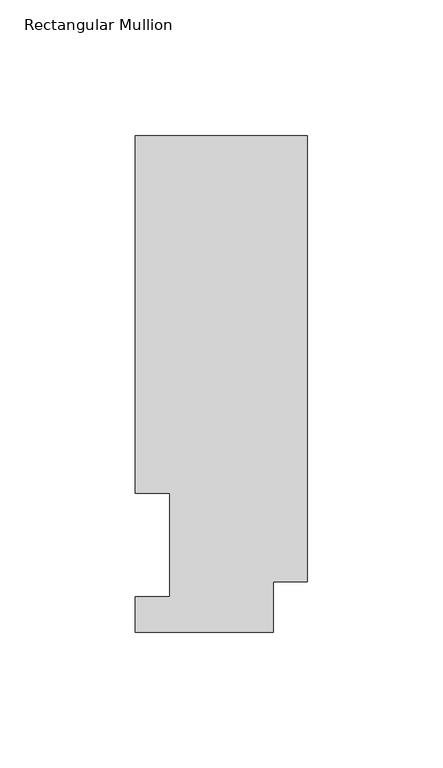
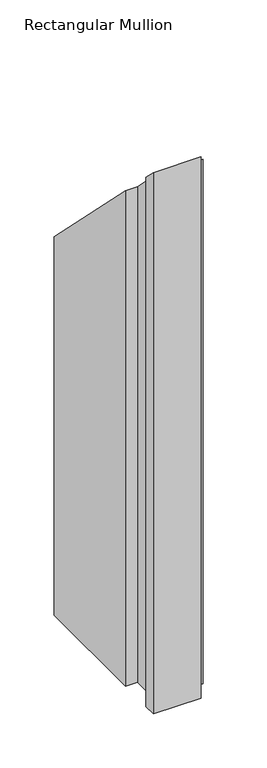
"""IFC4 building model written with IfcOpenShell, lengths in millimetres: member geometry, Rectangular Mullion."""

from ifc_helpers import new_model, si_unit, origin, place, context, project, spatial, faceted_brep, source, transform, mapped, element, save


def rectangular_mullion_f9dd478d(model_context):
    return source(origin(), model_context, "Body", "Brep", [
        faceted_brep([(0.0, 183.4446737, -609.56825), (0.0, 18.7332937, -609.56825), (-12.7, 18.7332937, -609.56825), (-12.7, 0.0134937, -609.56825), (-63.5, 0.0134937, -609.56825), (-63.5, 13.1960937, -609.56825), (-50.8, 13.1960937, -609.56825), (-50.8, 51.2960937, -609.56825), (-63.5, 51.2960938, -609.56825), (-63.5, 183.4446737, -609.56825), (-63.5, 183.4446737, -183.4446737), (0.0, 183.4446737, -183.4446737), (-63.5, 51.2960938, -51.2960937), (-50.8, 51.2960937, -51.2960937), (-50.8, 13.1960937, -13.1960937), (-63.5, 13.1960937, -13.1960937), (-63.5, 0.0134937, -0.0134937), (-12.7, 0.0134937, -0.0134937), (-12.7, 18.7332937, -18.7332937), (0.0, 18.7332937, -18.7332937)], [[[0, 1, 2, 3, 4, 5, 6, 7, 8, 9]], [[10, 11, 0, 9]], [[12, 10, 9, 8]], [[13, 12, 8, 7]], [[14, 13, 7, 6]], [[15, 14, 6, 5]], [[16, 15, 5, 4]], [[17, 16, 4, 3]], [[18, 17, 3, 2]], [[19, 18, 2, 1]], [[11, 19, 1, 0]], [[11, 10, 12, 13, 14, 15, 16, 17, 18, 19]]]),
    ])


if __name__ == "__main__":
    model = new_model("IFC4")
    model_context = context("Model", 3, world=origin())
    ifc_project = project(units=[si_unit("LENGTHUNIT", "METRE", prefix="MILLI")], contexts=[model_context])
    site = spatial("IfcSite", under=ifc_project)
    building = spatial("IfcBuilding", under=site)
    placement = place(None, origin())
    rectangular_mullion_shape = rectangular_mullion_f9dd478d(model_context)
    element("IfcMember", 1, ObjectType="Rectangular Mullion", at=placement, inside=building, context=model_context, shape_type="MappedRepresentation", body=[
        mapped(rectangular_mullion_shape, transform((0.0, 0.0, 0.0), x_axis=(1.0, 0.0, 0.0), y_axis=(0.0, 1.0, 0.0), z_axis=(0.0, 0.0, 1.0))),
    ])
    save(model, "model.ifc")
